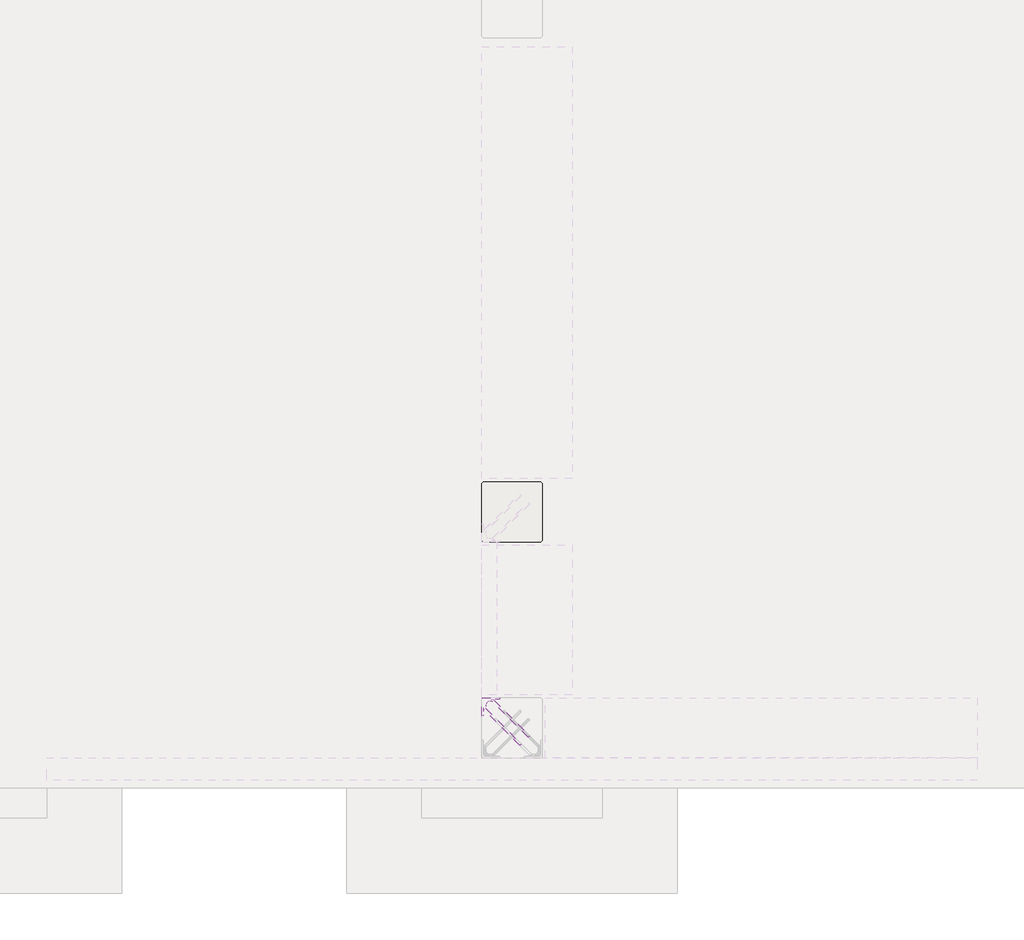
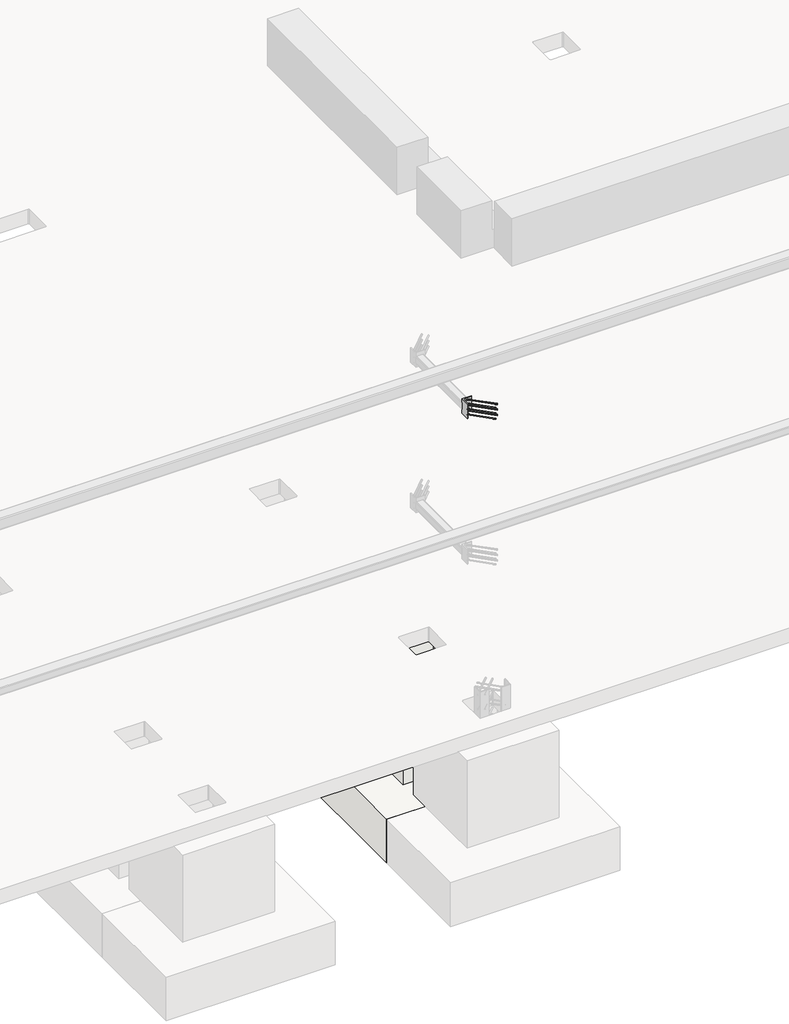
# One storey, part 21 of 65: 1 fastener, 1 slab.
"""IFC4 building model written with IfcOpenShell, lengths in millimetres."""

import ifcopenshell
import ifcopenshell.guid

model = None  # the IFC model being written
_history = None  # IfcOwnerHistory: only IFC2X3 demands one
_inside = {}  # id of a spatial element -> (the spatial element, [elements in it])
_under = {}  # id of a project, library or spatial element -> (it, [spatial elements below it])
_declared = {}  # id of a project -> (the project, [libraries it declares])
_typed = {}  # id of a type object -> (the type object, [elements of that type])
_made_of = {}  # id of a material, layer set ... -> (it, [elements and type objects made of it])


def new_model(schema):
    """Start an empty IFC model of exactly this schema.

    Asked for "IFC4X3", IfcOpenShell would pick the latest addendum, in which some entities
    have other attributes; the version numbers below select the first issue.
    IFC2X3 requires an IfcOwnerHistory on every rooted entity: one is made here for all.
    """
    global model, _history
    if schema == "IFC4X3":
        model = ifcopenshell.file(schema_version=(4, 3, 0, 0))
    else:
        model = ifcopenshell.file(schema=schema)
    _inside.clear()
    _under.clear()
    _declared.clear()
    _typed.clear()
    _made_of.clear()
    _history = None
    if model.schema == "IFC2X3":
        org = make("IfcOrganization", Name="unknown")
        user = make(
            "IfcPersonAndOrganization",
            ThePerson=make("IfcPerson", FamilyName="unknown"),
            TheOrganization=org,
        )
        app = make(
            "IfcApplication",
            ApplicationDeveloper=org,
            Version="unknown",
            ApplicationFullName="unknown",
            ApplicationIdentifier="unknown",
        )
        _history = make(
            "IfcOwnerHistory",
            OwningUser=user,
            OwningApplication=app,
            ChangeAction="ADDED",
            CreationDate=0,
        )
    return model


def make(cls, **values):
    """One entity of the class cls with the attributes given. An attribute that is None is left unset."""
    return model.create_entity(
        cls, **{name: value for name, value in values.items() if value is not None}
    )


def rooted(cls, **values):
    """An entity with a GlobalId (a new one), such as an element, a storey or a relation."""
    return make(cls, GlobalId=ifcopenshell.guid.new(), OwnerHistory=_history, **values)


def si_unit(unit_type, name, prefix=None):
    """IfcSIUnit, for example si_unit("LENGTHUNIT", "METRE", prefix="MILLI")."""
    return make("IfcSIUnit", UnitType=unit_type, Prefix=prefix, Name=name)


def assignment(units):
    """IfcUnitAssignment: the units of a project."""
    return None if units is None else make("IfcUnitAssignment", Units=units)


def point(xyz):
    """IfcCartesianPoint."""
    return None if xyz is None else make("IfcCartesianPoint", Coordinates=xyz)


def direction(xyz):
    """IfcDirection."""
    return None if xyz is None else make("IfcDirection", DirectionRatios=xyz)


def frame(location, z_axis=None, x_axis=None):
    """IfcAxis2Placement3D, a coordinate frame: its origin and axes. An axis left out is left unset."""
    return make(
        "IfcAxis2Placement3D",
        Location=point(location),
        Axis=direction(z_axis),
        RefDirection=direction(x_axis),
    )


def frame_2d(location, x_axis=None):
    """IfcAxis2Placement2D, a coordinate frame in the plane: its origin and x axis."""
    return make(
        "IfcAxis2Placement2D", Location=point(location), RefDirection=direction(x_axis)
    )


def origin():
    """The frame at (0, 0, 0) with its axes left unset."""
    return frame((0.0, 0.0, 0.0))


def place(relative_to, where):
    """IfcLocalPlacement: puts the frame where relative to a parent placement (None: the world)."""
    return make(
        "IfcLocalPlacement", PlacementRelTo=relative_to, RelativePlacement=where
    )


def context(
    kind, dimensions, precision=None, world=None, true_north=None, identifier=None
):
    """IfcGeometricRepresentationContext, for example the 3D "Model" context."""
    return make(
        "IfcGeometricRepresentationContext",
        ContextIdentifier=identifier,
        ContextType=kind,
        CoordinateSpaceDimension=dimensions,
        Precision=precision,
        WorldCoordinateSystem=world,
        TrueNorth=true_north,
    )


def project(units=None, contexts=None):
    """IfcProject with its units and contexts."""
    return rooted(
        "IfcProject",
        Name="project",
        RepresentationContexts=contexts,
        UnitsInContext=assignment(units),
    )


def spatial(cls, under=None, at=None, **own):
    """A site, building, storey or space (cls), placed at a placement, below another one or the project."""
    s = rooted(cls, ObjectPlacement=at, **own)
    if under is not None:
        _under.setdefault(under.id(), (under, []))[1].append(s)
    return s


def polyline(points):
    """IfcPolyline through the points."""
    return make("IfcPolyline", Points=[point(p) for p in points])


def circle_curve(where, radius):
    """IfcCircle in the frame where."""
    return make("IfcCircle", Position=where, Radius=radius)


def ellipse_curve(where, semi_axis1, semi_axis2):
    """IfcEllipse in the frame where."""
    return make(
        "IfcEllipse", Position=where, SemiAxis1=semi_axis1, SemiAxis2=semi_axis2
    )


def trimmed(basis, trim1, trim2, sense, master):
    """IfcTrimmedCurve: the piece of a basis curve between two trims."""
    return make(
        "IfcTrimmedCurve",
        BasisCurve=basis,
        Trim1=trim1,
        Trim2=trim2,
        SenseAgreement=sense,
        MasterRepresentation=master,
    )


def segment(curve, same_sense, transition):
    """IfcCompositeCurveSegment."""
    return make(
        "IfcCompositeCurveSegment",
        Transition=transition,
        SameSense=same_sense,
        ParentCurve=curve,
    )


def composite_curve(segments, self_intersect=None):
    """IfcCompositeCurve: segments joined end to end."""
    return make("IfcCompositeCurve", Segments=segments, SelfIntersect=self_intersect)


def outline(outer, holes=None, kind="AREA"):
    """IfcArbitraryClosedProfileDef: a profile drawn as a closed curve; with holes, ...WithVoids."""
    if holes is None:
        return make("IfcArbitraryClosedProfileDef", ProfileType=kind, OuterCurve=outer)
    return make(
        "IfcArbitraryProfileDefWithVoids",
        ProfileType=kind,
        OuterCurve=outer,
        InnerCurves=holes,
    )


def extrude(swept, where, along, depth):
    """IfcExtrudedAreaSolid: the profile swept, set in the frame where, extruded along a direction by depth."""
    return make(
        "IfcExtrudedAreaSolid",
        SweptArea=swept,
        Position=where,
        ExtrudedDirection=direction(along),
        Depth=depth,
    )


def faces_of(points, faces, orient=None, outer=None):
    """IfcFace entities. A face is a list of loops; a loop is a list of indices into points, from 0.

    orient and outer hold one flag for each loop. By default every Orientation is true, the
    first loop of a face is its IfcFaceOuterBound and the others are IfcFaceBound.
    """
    made = []
    for i, loops in enumerate(faces):
        bounds = []
        for j, loop in enumerate(loops):
            is_outer = j == 0 if outer is None else outer[i][j]
            bounds.append(
                make(
                    "IfcFaceOuterBound" if is_outer else "IfcFaceBound",
                    Bound=make("IfcPolyLoop", Polygon=[points[k] for k in loop]),
                    Orientation=True if orient is None else orient[i][j],
                )
            )
        made.append(make("IfcFace", Bounds=bounds))
    return made


def faceted_brep(points, faces, orient=None, outer=None, voids=None):
    """IfcFacetedBrep: a solid bounded by flat faces; with voids (closed shells), ...WithVoids."""
    shared = [point(p) for p in points]
    hull = make("IfcClosedShell", CfsFaces=faces_of(shared, faces, orient, outer))
    if voids is None:
        return make("IfcFacetedBrep", Outer=hull)
    return make(
        "IfcFacetedBrepWithVoids",
        Outer=hull,
        Voids=[
            make(cls, CfsFaces=faces_of(shared, fs, o, b)) for cls, fs, o, b in voids
        ],
    )


def shape(context_of_items, identifier, shape_type, items):
    """IfcShapeRepresentation: the items that make up one representation, for example the "Body"."""
    return make(
        "IfcShapeRepresentation",
        ContextOfItems=context_of_items,
        RepresentationIdentifier=identifier,
        RepresentationType=shape_type,
        Items=items,
    )


def made_of(thing, what):
    """Note that an element or type object is made of a material, layer set ...; save() writes the relation."""
    if what is not None:
        _made_of.setdefault(what.id(), (what, []))[1].append(thing)
    return thing


def element(
    cls,
    number,
    at=None,
    inside=None,
    cuts=None,
    type_object=None,
    material=None,
    context=None,
    identifier="Body",
    shape_type=None,
    held_by="IfcProductDefinitionShape",
    body=None,
    shapes=None,
    **own,
):
    """One element of the class cls, such as IfcWall. Its Tag is "e" and its number.

    at: its placement. inside: the storey or other place that contains it. cuts: it is an
    opening in that element (IfcRelVoidsElement). A single representation is given by context,
    identifier, shape_type and body (its items); several are given by shapes. held_by: the class
    of the entity that holds the representations. save() writes the other relations.
    """
    e = rooted(cls, Tag="e%d" % number, ObjectPlacement=at, **own)
    if body is not None:
        shapes = [shape(context, identifier, shape_type, body)]
    if shapes is not None:
        e.Representation = make(held_by, Representations=shapes)
    if inside is not None:
        _inside.setdefault(inside.id(), (inside, []))[1].append(e)
    if cuts is not None:
        rooted(
            "IfcRelVoidsElement", RelatingBuildingElement=cuts, RelatedOpeningElement=e
        )
    if type_object is not None:
        _typed.setdefault(type_object.id(), (type_object, []))[1].append(e)
    return made_of(e, material)


def aggregate(whole, parts):
    """IfcRelAggregates: a whole, such as a stair, and the parts it consists of."""
    return rooted("IfcRelAggregates", RelatingObject=whole, RelatedObjects=parts)


def save(model, path):
    """Write the relations noted so far, then the file.

    IfcRelAggregates (storeys below a building ...), IfcRelContainedInSpatialStructure (elements
    in a storey), IfcRelDefinesByType, IfcRelAssociatesMaterial and IfcRelDeclares: one each for
    every whole, place, type object, material and project.
    """
    for whole, parts in _under.values():
        aggregate(whole, parts)
    for where, things in _inside.values():
        rooted(
            "IfcRelContainedInSpatialStructure",
            RelatedElements=things,
            RelatingStructure=where,
        )
    for kind, things in _typed.values():
        rooted("IfcRelDefinesByType", RelatedObjects=things, RelatingType=kind)
    for what, things in _made_of.values():
        rooted("IfcRelAssociatesMaterial", RelatedObjects=things, RelatingMaterial=what)
    for by, libraries in _declared.values():
        rooted("IfcRelDeclares", RelatingContext=by, RelatedDefinitions=libraries)
    model.write(path)


def plane_surface(at):
    """IfcPlane: the flat surface through the origin of the frame at, square to its z axis."""
    return make("IfcPlane", Position=at)


def cylinder_surface(at, radius):
    """IfcCylindricalSurface: all points at the distance radius from the z axis of the frame at."""
    return make("IfcCylindricalSurface", Position=at, Radius=radius)


def revolved_surface(curve, axis_point, axis_direction):
    """IfcSurfaceOfRevolution: the curve turned about the line through axis_point along axis_direction."""
    return make(
        "IfcSurfaceOfRevolution",
        SweptCurve=make("IfcArbitraryOpenProfileDef", ProfileType="CURVE", Curve=curve),
        AxisPosition=make("IfcAxis1Placement", Location=point(axis_point), Axis=direction(axis_direction)),
    )


def advanced_brep(points, edges, surfaces, faces):
    """IfcAdvancedBrep: a solid bounded by faces that lie on surfaces and meet in shared edges.

    An edge is (start, end): straight between two places in points (the first is 0);
    or (start, end, curve); or (start, end, curve, False) where it runs against its curve.
    A face is (place in surfaces, loops), or (place, loops, False) where it looks against
    its surface's normal. A loop lists edges by number (the first is 1), with a minus sign
    where the edge is run from its end to its start. The first loop is the outer one.
    """
    corners = [point(p) for p in points]
    vertices = [make("IfcVertexPoint", VertexGeometry=c) for c in corners]
    made = []
    for start, end, *more in edges:
        made.append(
            make(
                "IfcEdgeCurve",
                EdgeStart=vertices[start],
                EdgeEnd=vertices[end],
                EdgeGeometry=more[0] if more else make("IfcPolyline", Points=[corners[start], corners[end]]),
                SameSense=more[1] if len(more) > 1 else True,
            )
        )
    hull = []
    for where, loops, *sense in faces:
        bounds = []
        for j, loop in enumerate(loops):
            ring = [make("IfcOrientedEdge", EdgeElement=made[abs(k) - 1], Orientation=k > 0) for k in loop]
            bounds.append(
                make(
                    "IfcFaceOuterBound" if j == 0 else "IfcFaceBound",
                    Bound=make("IfcEdgeLoop", EdgeList=ring),
                    Orientation=True,
                )
            )
        hull.append(make("IfcAdvancedFace", Bounds=bounds, FaceSurface=surfaces[where], SameSense=sense[0] if sense else True))
    return make("IfcAdvancedBrep", Outer=make("IfcClosedShell", CfsFaces=hull))


model = new_model("IFC4")

# Units and contexts
model_context = context("Model", 3, world=origin())
ifc_project = project(units=[si_unit("LENGTHUNIT", "METRE", prefix="MILLI")], contexts=[model_context])

# Site, building, storey
site = spatial("IfcSite", under=ifc_project)
building = spatial("IfcBuilding", under=site)
storey = spatial("IfcBuildingStorey", under=building, Elevation=0.0)

# Fastener
placement = place(None, origin())
element("IfcFastener", 1, at=placement, inside=storey, context=model_context, shape_type="SolidModel", body=[
    advanced_brep(
    [(38902.5376259, 9882.5628791, 4125.0), (38912.4371209, 9892.4623741, 4125.0), (38967.4371209, 9947.4623741, 4125.0), (38957.5376259, 9937.5628791, 4125.0), (38697.0, 10176.0, 4125.0), (38697.0, 10190.0, 4125.0), (38715.7867966, 10190.0, 4125.0), (38715.7867966, 10176.0, 4125.0), (38674.0, 10153.0, 4125.0), (38660.0, 10153.0, 4125.0), (38674.0, 10134.2132034, 4125.0), (38660.0, 10134.2132034, 4125.0), (38666.4436508, 10118.6568542, 4125.0), (38676.3431458, 10128.5563492, 4125.0), (38721.4436508, 10173.6568542, 4125.0), (38731.3431458, 10183.5563492, 4125.0)],
    [
        (0, 1, circle_curve(frame((38907.4873734, 9887.5126266, 4125.0), z_axis=(0.7071067811865459, -0.7071067811865493, 0.0), x_axis=(0.7071067811865493, 0.7071067811865459, 0.0)), 7.0)),
        (1, 0, circle_curve(frame((38907.4873734, 9887.5126266, 4125.0), z_axis=(0.7071067811865459, -0.7071067811865493, 0.0), x_axis=(0.7071067811865493, 0.7071067811865459, 0.0)), 7.0)),
        (2, 3, circle_curve(frame((38962.4873734, 9942.5126266, 4125.0), z_axis=(0.7071067811865457, -0.7071067811865493, 0.0), x_axis=(-0.7071067811865493, -0.7071067811865457, 0.0)), 7.0)),
        (3, 2, circle_curve(frame((38962.4873734, 9942.5126266, 4125.0), z_axis=(0.7071067811865457, -0.7071067811865493, 0.0), x_axis=(-0.7071067811865493, -0.7071067811865457, 0.0)), 7.0)),
        (4, 5, circle_curve(frame((38697.0, 10183.0, 4125.0), z_axis=(1.0, 0.0, 0.0), x_axis=(0.0, -1.0, 0.0)), 7.0)),
        (5, 6),
        (6, 7, circle_curve(frame((38715.7867966, 10183.0, 4125.0), z_axis=(-1.0, 0.0, 0.0), x_axis=(0.0, -1.0, 0.0)), 7.0)),
        (7, 4),
        (5, 4, circle_curve(frame((38697.0, 10183.0, 4125.0), z_axis=(1.0, 0.0, 0.0), x_axis=(0.0, -1.0, 0.0)), 7.0)),
        (7, 6, circle_curve(frame((38715.7867966, 10183.0, 4125.0), z_axis=(-1.0, 0.0, 0.0), x_axis=(0.0, -1.0, 0.0)), 7.0)),
        (4, 8, circle_curve(frame((38697.0, 10153.0, 4125.0), z_axis=(0.0, 0.0, 1.0), x_axis=(-1.0, 0.0, 0.0)), 23.0)),
        (8, 9, circle_curve(frame((38667.0, 10153.0, 4125.0), z_axis=(0.0, 1.0, 0.0), x_axis=(1.0, 0.0, 0.0)), 7.0)),
        (9, 5, circle_curve(frame((38697.0, 10153.0, 4125.0), z_axis=(0.0, 0.0, -1.0), x_axis=(-1.0, 0.0, 0.0)), 37.0)),
        (9, 8, circle_curve(frame((38667.0, 10153.0, 4125.0), z_axis=(0.0, 1.0, 0.0), x_axis=(1.0, 0.0, 0.0)), 7.0)),
        (10, 11, circle_curve(frame((38667.0, 10134.2132034, 4125.0), z_axis=(0.0, 1.0, 0.0), x_axis=(1.0, 0.0, 0.0)), 7.0)),
        (11, 9),
        (8, 10),
        (11, 10, circle_curve(frame((38667.0, 10134.2132034, 4125.0), z_axis=(0.0, 1.0, 0.0), x_axis=(1.0, 0.0, 0.0)), 7.0)),
        (0, 12),
        (12, 13, circle_curve(frame((38671.3933983, 10123.6066017, 4125.0), z_axis=(0.7071067811865459, -0.7071067811865493, 0.0), x_axis=(0.7071067811865493, 0.7071067811865459, 0.0)), 7.0)),
        (13, 1),
        (13, 12, circle_curve(frame((38671.3933983, 10123.6066017, 4125.0), z_axis=(0.7071067811865459, -0.7071067811865493, 0.0), x_axis=(0.7071067811865493, 0.7071067811865459, 0.0)), 7.0)),
        (10, 13, circle_curve(frame((38682.0, 10134.2132034, 4125.0), z_axis=(0.0, 0.0, 1.0), x_axis=(-0.7071067811865491, -0.7071067811865459, 0.0)), 8.0)),
        (12, 11, circle_curve(frame((38682.0, 10134.2132034, 4125.0), z_axis=(0.0, 0.0, -1.0), x_axis=(-0.7071067811865491, -0.7071067811865459, 0.0)), 22.0)),
        (14, 7, circle_curve(frame((38715.7867966, 10168.0, 4125.0), z_axis=(0.0, 0.0, 1.0), x_axis=(0.0, 1.0, 0.0)), 8.0)),
        (6, 15, circle_curve(frame((38715.7867966, 10168.0, 4125.0), z_axis=(0.0, 0.0, -1.0), x_axis=(0.0, 1.0, 0.0)), 22.0)),
        (15, 14, circle_curve(frame((38726.3933983, 10178.6066017, 4125.0), z_axis=(-0.7071067811865456, 0.7071067811865495, 0.0), x_axis=(-0.7071067811865495, -0.7071067811865456, 0.0)), 7.0)),
        (14, 15, circle_curve(frame((38726.3933983, 10178.6066017, 4125.0), z_axis=(-0.707106781186545, 0.70710678118655, 0.0), x_axis=(-0.70710678118655, -0.707106781186545, 0.0)), 7.0)),
        (15, 2),
        (3, 14),
    ],
    [
        plane_surface(frame((38907.4873734, 9887.5126266, 4125.0), z_axis=(0.7071067811865459, -0.7071067811865493, 0.0), x_axis=(0.0, 0.0, -1.0))),
        plane_surface(frame((38962.4873734, 9942.5126266, 4125.0), z_axis=(0.7071067811865457, -0.7071067811865493, 0.0), x_axis=(0.0, 0.0, -1.0))),
        cylinder_surface(frame((38697.0, 10183.0, 4125.0), z_axis=(-1.0, 0.0, 0.0), x_axis=(0.0, -1.0, 0.0)), 7.0),
        revolved_surface(trimmed(ellipse_curve(frame((38667.0, 10153.0, 4125.0), z_axis=(0.0, -1.0, 0.0), x_axis=(1.0, 0.0, 0.0)), 7.0, 7.0), [point((38660.0, 10153.0, 4125.0))], [point((38674.0, 10153.0, 4125.0))], True, "CARTESIAN"), (38697.0, 10153.0, 4125.0), (0.0, 0.0, -1.0)),
        revolved_surface(trimmed(ellipse_curve(frame((38667.0, 10153.0, 4125.0), z_axis=(0.0, -1.0, 0.0), x_axis=(1.0, 0.0, 0.0)), 7.0, 7.0), [point((38674.0, 10153.0, 4125.0))], [point((38660.0, 10153.0, 4125.0))], True, "CARTESIAN"), (38697.0, 10153.0, 4125.0), (0.0, 0.0, -1.0)),
        cylinder_surface(frame((38667.0, 10134.2132034, 4125.0), z_axis=(0.0, -1.0, 0.0), x_axis=(1.0, 0.0, 0.0)), 7.0),
        cylinder_surface(frame((38907.4873734, 9887.5126266, 4125.0), z_axis=(0.7071067811865459, -0.7071067811865493, 0.0), x_axis=(0.7071067811865493, 0.7071067811865459, 0.0)), 7.0),
        revolved_surface(trimmed(ellipse_curve(frame((38671.3933983, 10123.6066017, 4125.0), z_axis=(0.7071067811865459, -0.7071067811865491, 0.0), x_axis=(0.7071067811865491, 0.7071067811865459, 0.0)), 7.0, 7.0), [point((38666.4436508, 10118.6568542, 4125.0))], [point((38676.3431458, 10128.5563492, 4125.0))], True, "CARTESIAN"), (38682.0, 10134.2132034, 4125.0), (0.0, 0.0, -1.0)),
        revolved_surface(trimmed(ellipse_curve(frame((38671.3933983, 10123.6066017, 4125.0), z_axis=(0.7071067811865459, -0.7071067811865491, 0.0), x_axis=(0.7071067811865491, 0.7071067811865459, 0.0)), 7.0, 7.0), [point((38676.3431458, 10128.5563492, 4125.0))], [point((38666.4436508, 10118.6568542, 4125.0))], True, "CARTESIAN"), (38682.0, 10134.2132034, 4125.0), (0.0, 0.0, -1.0)),
        revolved_surface(trimmed(ellipse_curve(frame((38715.7867966, 10183.0, 4125.0), z_axis=(-1.0, 0.0, 0.0), x_axis=(0.0, -1.0, 0.0)), 7.0, 7.0), [point((38715.7867966, 10190.0, 4125.0))], [point((38715.7867966, 10176.0, 4125.0))], True, "CARTESIAN"), (38715.7867966, 10168.0, 4125.0), (0.0, 0.0, -1.0)),
        revolved_surface(trimmed(ellipse_curve(frame((38715.7867966, 10183.0, 4125.0), z_axis=(-1.0, 0.0, 0.0), x_axis=(0.0, -1.0, 0.0)), 7.0, 7.0), [point((38715.7867966, 10176.0, 4125.0))], [point((38715.7867966, 10190.0, 4125.0))], True, "CARTESIAN"), (38715.7867966, 10168.0, 4125.0), (0.0, 0.0, -1.0)),
        cylinder_surface(frame((38726.3933983, 10178.6066017, 4125.0), z_axis=(-0.7071067811865457, 0.7071067811865493, 0.0), x_axis=(-0.7071067811865493, -0.7071067811865457, 0.0)), 7.0),
    ],
    [
        (0, [[1, 2]]),
        (1, [[3, 4]]),
        (2, [[5, 6, 7, 8]]),
        (2, [[9, -8, 10, -6]]),
        (3, [[11, 12, 13, -5]]),
        (4, [[-13, 14, -11, -9]]),
        (5, [[15, 16, -12, 17]]),
        (5, [[18, -17, -14, -16]]),
        (6, [[-1, 19, 20, 21]]),
        (6, [[-2, -21, 22, -19]]),
        (7, [[23, -20, 24, -15]]),
        (8, [[-24, -22, -23, -18]]),
        (9, [[25, -7, 26, 27]]),
        (10, [[-26, -10, -25, 28]]),
        (11, [[-27, 29, -4, 30]]),
        (11, [[-28, -30, -3, -29]]),
    ],
),
    advanced_brep(
    [(38912.4371209, 9892.4623741, 3975.0), (38902.5376259, 9882.5628791, 3975.0), (38957.5376259, 9937.5628791, 3975.0), (38967.4371209, 9947.4623741, 3975.0), (38697.0, 10190.0, 3975.0), (38697.0, 10176.0, 3975.0), (38715.7867966, 10176.0, 3975.0), (38715.7867966, 10190.0, 3975.0), (38660.0, 10153.0, 3975.0), (38674.0, 10153.0, 3975.0), (38660.0, 10134.2132034, 3975.0), (38674.0, 10134.2132034, 3975.0), (38676.3431458, 10128.5563492, 3975.0), (38666.4436508, 10118.6568542, 3975.0), (38731.3431458, 10183.5563492, 3975.0), (38721.4436508, 10173.6568542, 3975.0)],
    [
        (0, 1, circle_curve(frame((38907.4873734, 9887.5126266, 3975.0), z_axis=(0.7071067811865459, -0.7071067811865493, 0.0), x_axis=(-0.7071067811865493, -0.7071067811865459, 0.0)), 7.0)),
        (1, 0, circle_curve(frame((38907.4873734, 9887.5126266, 3975.0), z_axis=(0.7071067811865459, -0.7071067811865493, 0.0), x_axis=(-0.7071067811865493, -0.7071067811865459, 0.0)), 7.0)),
        (2, 3, circle_curve(frame((38962.4873734, 9942.5126266, 3975.0), z_axis=(0.7071067811865458, -0.7071067811865493, 0.0), x_axis=(0.7071067811865493, 0.7071067811865458, 0.0)), 7.0)),
        (3, 2, circle_curve(frame((38962.4873734, 9942.5126266, 3975.0), z_axis=(0.7071067811865458, -0.7071067811865493, 0.0), x_axis=(0.7071067811865493, 0.7071067811865458, 0.0)), 7.0)),
        (4, 5, circle_curve(frame((38697.0, 10183.0, 3975.0), z_axis=(1.0, 0.0, 0.0), x_axis=(0.0, 1.0, 0.0)), 7.0)),
        (5, 6),
        (6, 7, circle_curve(frame((38715.7867966, 10183.0, 3975.0), z_axis=(-1.0, 0.0, 0.0), x_axis=(0.0, 1.0, 0.0)), 7.0)),
        (7, 4),
        (5, 4, circle_curve(frame((38697.0, 10183.0, 3975.0), z_axis=(1.0, 0.0, 0.0), x_axis=(0.0, 1.0, 0.0)), 7.0)),
        (7, 6, circle_curve(frame((38715.7867966, 10183.0, 3975.0), z_axis=(-1.0, 0.0, 0.0), x_axis=(0.0, 1.0, 0.0)), 7.0)),
        (4, 8, circle_curve(frame((38697.0, 10153.0, 3975.0), z_axis=(0.0, 0.0, 1.0), x_axis=(-1.0, 0.0, 0.0)), 37.0)),
        (8, 9, circle_curve(frame((38667.0, 10153.0, 3975.0), z_axis=(0.0, 1.0, 0.0), x_axis=(-1.0, 0.0, 0.0)), 7.0)),
        (9, 5, circle_curve(frame((38697.0, 10153.0, 3975.0), z_axis=(0.0, 0.0, -1.0), x_axis=(-1.0, 0.0, 0.0)), 23.0)),
        (9, 8, circle_curve(frame((38667.0, 10153.0, 3975.0), z_axis=(0.0, 1.0, 0.0), x_axis=(-1.0, 0.0, 0.0)), 7.0)),
        (10, 11, circle_curve(frame((38667.0, 10134.2132034, 3975.0), z_axis=(0.0, 1.0, 0.0), x_axis=(-1.0, 0.0, 0.0)), 7.0)),
        (11, 9),
        (8, 10),
        (11, 10, circle_curve(frame((38667.0, 10134.2132034, 3975.0), z_axis=(0.0, 1.0, 0.0), x_axis=(-1.0, 0.0, 0.0)), 7.0)),
        (0, 12),
        (12, 13, circle_curve(frame((38671.3933983, 10123.6066017, 3975.0), z_axis=(0.7071067811865459, -0.7071067811865493, 0.0), x_axis=(-0.7071067811865493, -0.7071067811865459, 0.0)), 7.0)),
        (13, 1),
        (13, 12, circle_curve(frame((38671.3933983, 10123.6066017, 3975.0), z_axis=(0.7071067811865459, -0.7071067811865493, 0.0), x_axis=(-0.7071067811865493, -0.7071067811865459, 0.0)), 7.0)),
        (10, 13, circle_curve(frame((38682.0, 10134.2132034, 3975.0), z_axis=(0.0, 0.0, 1.0), x_axis=(-0.7071067811865491, -0.7071067811865459, 0.0)), 22.0)),
        (12, 11, circle_curve(frame((38682.0, 10134.2132034, 3975.0), z_axis=(0.0, 0.0, -1.0), x_axis=(-0.7071067811865491, -0.7071067811865459, 0.0)), 8.0)),
        (14, 7, circle_curve(frame((38715.7867966, 10168.0, 3975.0), z_axis=(0.0, 0.0, 1.0), x_axis=(0.0, 1.0, 0.0)), 22.0)),
        (6, 15, circle_curve(frame((38715.7867966, 10168.0, 3975.0), z_axis=(0.0, 0.0, -1.0), x_axis=(0.0, 1.0, 0.0)), 8.0)),
        (15, 14, circle_curve(frame((38726.3933983, 10178.6066017, 3975.0), z_axis=(-0.7071067811865442, 0.7071067811865508, 0.0), x_axis=(0.7071067811865508, 0.7071067811865442, 0.0)), 7.0)),
        (14, 15, circle_curve(frame((38726.3933983, 10178.6066017, 3975.0), z_axis=(-0.707106781186545, 0.70710678118655, 0.0), x_axis=(0.70710678118655, 0.707106781186545, 0.0)), 7.0)),
        (15, 2),
        (3, 14),
    ],
    [
        plane_surface(frame((38907.4873734, 9887.5126266, 3975.0), z_axis=(0.7071067811865459, -0.7071067811865493, 0.0), x_axis=(0.0, 0.0, 1.0))),
        plane_surface(frame((38962.4873734, 9942.5126266, 3975.0), z_axis=(0.7071067811865458, -0.7071067811865493, 0.0), x_axis=(0.0, 0.0, 1.0))),
        cylinder_surface(frame((38697.0, 10183.0, 3975.0), z_axis=(-1.0, 0.0, 0.0), x_axis=(0.0, 1.0, 0.0)), 7.0),
        revolved_surface(trimmed(ellipse_curve(frame((38667.0, 10153.0, 3975.0), z_axis=(0.0, -1.0, 0.0), x_axis=(-1.0, 0.0, 0.0)), 7.0, 7.0), [point((38674.0, 10153.0, 3975.0))], [point((38660.0, 10153.0, 3975.0))], True, "CARTESIAN"), (38697.0, 10153.0, 3975.0), (0.0, 0.0, -1.0)),
        revolved_surface(trimmed(ellipse_curve(frame((38667.0, 10153.0, 3975.0), z_axis=(0.0, -1.0, 0.0), x_axis=(-1.0, 0.0, 0.0)), 7.0, 7.0), [point((38660.0, 10153.0, 3975.0))], [point((38674.0, 10153.0, 3975.0))], True, "CARTESIAN"), (38697.0, 10153.0, 3975.0), (0.0, 0.0, -1.0)),
        cylinder_surface(frame((38667.0, 10134.2132034, 3975.0), z_axis=(0.0, -1.0, 0.0), x_axis=(-1.0, 0.0, 0.0)), 7.0),
        cylinder_surface(frame((38907.4873734, 9887.5126266, 3975.0), z_axis=(0.7071067811865459, -0.7071067811865493, 0.0), x_axis=(-0.7071067811865493, -0.7071067811865459, 0.0)), 7.0),
        revolved_surface(trimmed(ellipse_curve(frame((38671.3933983, 10123.6066017, 3975.0), z_axis=(0.7071067811865459, -0.7071067811865491, 0.0), x_axis=(-0.7071067811865491, -0.7071067811865459, 0.0)), 7.0, 7.0), [point((38676.3431458, 10128.5563492, 3975.0))], [point((38666.4436508, 10118.6568542, 3975.0))], True, "CARTESIAN"), (38682.0, 10134.2132034, 3975.0), (0.0, 0.0, -1.0)),
        revolved_surface(trimmed(ellipse_curve(frame((38671.3933983, 10123.6066017, 3975.0), z_axis=(0.7071067811865459, -0.7071067811865491, 0.0), x_axis=(-0.7071067811865491, -0.7071067811865459, 0.0)), 7.0, 7.0), [point((38666.4436508, 10118.6568542, 3975.0))], [point((38676.3431458, 10128.5563492, 3975.0))], True, "CARTESIAN"), (38682.0, 10134.2132034, 3975.0), (0.0, 0.0, -1.0)),
        revolved_surface(trimmed(ellipse_curve(frame((38715.7867966, 10183.0, 3975.0), z_axis=(-1.0, 0.0, 0.0), x_axis=(0.0, 1.0, 0.0)), 7.0, 7.0), [point((38715.7867966, 10176.0, 3975.0))], [point((38715.7867966, 10190.0, 3975.0))], True, "CARTESIAN"), (38715.7867966, 10168.0, 3975.0), (0.0, 0.0, -1.0)),
        revolved_surface(trimmed(ellipse_curve(frame((38715.7867966, 10183.0, 3975.0), z_axis=(-1.0, 0.0, 0.0), x_axis=(0.0, 1.0, 0.0)), 7.0, 7.0), [point((38715.7867966, 10190.0, 3975.0))], [point((38715.7867966, 10176.0, 3975.0))], True, "CARTESIAN"), (38715.7867966, 10168.0, 3975.0), (0.0, 0.0, -1.0)),
        cylinder_surface(frame((38726.3933983, 10178.6066017, 3975.0), z_axis=(-0.7071067811865458, 0.7071067811865493, 0.0), x_axis=(0.7071067811865493, 0.7071067811865458, 0.0)), 7.0),
    ],
    [
        (0, [[1, 2]]),
        (1, [[3, 4]]),
        (2, [[5, 6, 7, 8]]),
        (2, [[9, -8, 10, -6]]),
        (3, [[11, 12, 13, -5]]),
        (4, [[-13, 14, -11, -9]]),
        (5, [[15, 16, -12, 17]]),
        (5, [[18, -17, -14, -16]]),
        (6, [[-1, 19, 20, 21]]),
        (6, [[-2, -21, 22, -19]]),
        (7, [[23, -20, 24, -15]]),
        (8, [[-24, -22, -23, -18]]),
        (9, [[25, -7, 26, 27]]),
        (10, [[-26, -10, -25, 28]]),
        (11, [[-27, 29, -4, 30]]),
        (11, [[-28, -30, -3, -29]]),
    ],
),
    advanced_brep(
    [(38912.4371209, 9892.4623741, 4050.0), (38902.5376259, 9882.5628791, 4050.0), (38957.5376259, 9937.5628791, 4050.0), (38967.4371209, 9947.4623741, 4050.0), (38697.0, 10190.0, 4050.0), (38697.0, 10176.0, 4050.0), (38715.7867966, 10176.0, 4050.0), (38715.7867966, 10190.0, 4050.0), (38660.0, 10153.0, 4050.0), (38674.0, 10153.0, 4050.0), (38660.0, 10134.2132034, 4050.0), (38674.0, 10134.2132034, 4050.0), (38676.3431458, 10128.5563492, 4050.0), (38666.4436508, 10118.6568542, 4050.0), (38731.3431458, 10183.5563492, 4050.0), (38721.4436508, 10173.6568542, 4050.0)],
    [
        (0, 1, circle_curve(frame((38907.4873734, 9887.5126266, 4050.0), z_axis=(0.7071067811865458, -0.7071067811865492, 0.0), x_axis=(-0.7071067811865492, -0.7071067811865458, 0.0)), 7.0)),
        (1, 0, circle_curve(frame((38907.4873734, 9887.5126266, 4050.0), z_axis=(0.7071067811865458, -0.7071067811865492, 0.0), x_axis=(-0.7071067811865492, -0.7071067811865458, 0.0)), 7.0)),
        (2, 3, circle_curve(frame((38962.4873734, 9942.5126266, 4050.0), z_axis=(0.7071067811865458, -0.7071067811865493, 0.0), x_axis=(0.7071067811865493, 0.7071067811865458, 0.0)), 7.0)),
        (3, 2, circle_curve(frame((38962.4873734, 9942.5126266, 4050.0), z_axis=(0.7071067811865458, -0.7071067811865493, 0.0), x_axis=(0.7071067811865493, 0.7071067811865458, 0.0)), 7.0)),
        (4, 5, circle_curve(frame((38697.0, 10183.0, 4050.0), z_axis=(1.0, 0.0, 0.0), x_axis=(0.0, 1.0, 0.0)), 7.0)),
        (5, 6),
        (6, 7, circle_curve(frame((38715.7867966, 10183.0, 4050.0), z_axis=(-1.0, 0.0, 0.0), x_axis=(0.0, 1.0, 0.0)), 7.0)),
        (7, 4),
        (5, 4, circle_curve(frame((38697.0, 10183.0, 4050.0), z_axis=(1.0, 0.0, 0.0), x_axis=(0.0, 1.0, 0.0)), 7.0)),
        (7, 6, circle_curve(frame((38715.7867966, 10183.0, 4050.0), z_axis=(-1.0, 0.0, 0.0), x_axis=(0.0, 1.0, 0.0)), 7.0)),
        (4, 8, circle_curve(frame((38697.0, 10153.0, 4050.0), z_axis=(0.0, 0.0, 1.0), x_axis=(-1.0, 0.0, 0.0)), 37.0)),
        (8, 9, circle_curve(frame((38667.0, 10153.0, 4050.0), z_axis=(0.0, 1.0, 0.0), x_axis=(-1.0, 0.0, 0.0)), 7.0)),
        (9, 5, circle_curve(frame((38697.0, 10153.0, 4050.0), z_axis=(0.0, 0.0, -1.0), x_axis=(-1.0, 0.0, 0.0)), 23.0)),
        (9, 8, circle_curve(frame((38667.0, 10153.0, 4050.0), z_axis=(0.0, 1.0, 0.0), x_axis=(-1.0, 0.0, 0.0)), 7.0)),
        (10, 11, circle_curve(frame((38667.0, 10134.2132034, 4050.0), z_axis=(0.0, 1.0, 0.0), x_axis=(-1.0, 0.0, 0.0)), 7.0)),
        (11, 9),
        (8, 10),
        (11, 10, circle_curve(frame((38667.0, 10134.2132034, 4050.0), z_axis=(0.0, 1.0, 0.0), x_axis=(-1.0, 0.0, 0.0)), 7.0)),
        (0, 12),
        (12, 13, circle_curve(frame((38671.3933983, 10123.6066017, 4050.0), z_axis=(0.7071067811865458, -0.7071067811865492, 0.0), x_axis=(-0.7071067811865492, -0.7071067811865458, 0.0)), 7.0)),
        (13, 1),
        (13, 12, circle_curve(frame((38671.3933983, 10123.6066017, 4050.0), z_axis=(0.7071067811865458, -0.7071067811865492, 0.0), x_axis=(-0.7071067811865492, -0.7071067811865458, 0.0)), 7.0)),
        (10, 13, circle_curve(frame((38682.0, 10134.2132034, 4050.0), z_axis=(0.0, 0.0, 1.0), x_axis=(-0.7071067811865491, -0.7071067811865459, 0.0)), 22.0)),
        (12, 11, circle_curve(frame((38682.0, 10134.2132034, 4050.0), z_axis=(0.0, 0.0, -1.0), x_axis=(-0.7071067811865491, -0.7071067811865459, 0.0)), 8.0)),
        (14, 7, circle_curve(frame((38715.7867966, 10168.0, 4050.0), z_axis=(0.0, 0.0, 1.0), x_axis=(0.0, 1.0, 0.0)), 22.0)),
        (6, 15, circle_curve(frame((38715.7867966, 10168.0, 4050.0), z_axis=(0.0, 0.0, -1.0), x_axis=(0.0, 1.0, 0.0)), 8.0)),
        (15, 14, circle_curve(frame((38726.3933983, 10178.6066017, 4050.0), z_axis=(-0.7071067811865457, 0.7071067811865493, 0.0), x_axis=(0.7071067811865493, 0.7071067811865457, 0.0)), 7.0)),
        (14, 15, circle_curve(frame((38726.3933983, 10178.6066017, 4050.0), z_axis=(-0.7071067811865456, 0.7071067811865495, 0.0), x_axis=(0.7071067811865495, 0.7071067811865456, 0.0)), 7.0)),
        (15, 2),
        (3, 14),
    ],
    [
        plane_surface(frame((38907.4873734, 9887.5126266, 4050.0), z_axis=(0.7071067811865458, -0.7071067811865492, 0.0), x_axis=(0.0, 0.0, 1.0))),
        plane_surface(frame((38962.4873734, 9942.5126266, 4050.0), z_axis=(0.7071067811865457, -0.7071067811865495, 0.0), x_axis=(0.0, 0.0, 1.0))),
        cylinder_surface(frame((38697.0, 10183.0, 4050.0), z_axis=(-1.0, 0.0, 0.0), x_axis=(0.0, 1.0, 0.0)), 7.0),
        revolved_surface(trimmed(ellipse_curve(frame((38667.0, 10153.0, 4050.0), z_axis=(0.0, -1.0, 0.0), x_axis=(-1.0, 0.0, 0.0)), 7.0, 7.0), [point((38674.0, 10153.0, 4050.0))], [point((38660.0, 10153.0, 4050.0))], True, "CARTESIAN"), (38697.0, 10153.0, 4050.0), (0.0, 0.0, -1.0)),
        revolved_surface(trimmed(ellipse_curve(frame((38667.0, 10153.0, 4050.0), z_axis=(0.0, -1.0, 0.0), x_axis=(-1.0, 0.0, 0.0)), 7.0, 7.0), [point((38660.0, 10153.0, 4050.0))], [point((38674.0, 10153.0, 4050.0))], True, "CARTESIAN"), (38697.0, 10153.0, 4050.0), (0.0, 0.0, -1.0)),
        cylinder_surface(frame((38667.0, 10134.2132034, 4050.0), z_axis=(0.0, -1.0, 0.0), x_axis=(-1.0, 0.0, 0.0)), 7.0),
        cylinder_surface(frame((38907.4873734, 9887.5126266, 4050.0), z_axis=(0.7071067811865458, -0.7071067811865492, 0.0), x_axis=(-0.7071067811865492, -0.7071067811865458, 0.0)), 7.0),
        revolved_surface(trimmed(ellipse_curve(frame((38671.3933983, 10123.6066017, 4050.0), z_axis=(0.707106781186546, -0.707106781186549, 0.0), x_axis=(-0.707106781186549, -0.707106781186546, 0.0)), 7.0, 7.0), [point((38676.3431458, 10128.5563492, 4050.0))], [point((38666.4436508, 10118.6568542, 4050.0))], True, "CARTESIAN"), (38682.0, 10134.2132034, 4050.0), (0.0, 0.0, -1.0)),
        revolved_surface(trimmed(ellipse_curve(frame((38671.3933983, 10123.6066017, 4050.0), z_axis=(0.707106781186546, -0.707106781186549, 0.0), x_axis=(-0.707106781186549, -0.707106781186546, 0.0)), 7.0, 7.0), [point((38666.4436508, 10118.6568542, 4050.0))], [point((38676.3431458, 10128.5563492, 4050.0))], True, "CARTESIAN"), (38682.0, 10134.2132034, 4050.0), (0.0, 0.0, -1.0)),
        revolved_surface(trimmed(ellipse_curve(frame((38715.7867966, 10183.0, 4050.0), z_axis=(-1.0, 0.0, 0.0), x_axis=(0.0, 1.0, 0.0)), 7.0, 7.0), [point((38715.7867966, 10176.0, 4050.0))], [point((38715.7867966, 10190.0, 4050.0))], True, "CARTESIAN"), (38715.7867966, 10168.0, 4050.0), (0.0, 0.0, -1.0)),
        revolved_surface(trimmed(ellipse_curve(frame((38715.7867966, 10183.0, 4050.0), z_axis=(-1.0, 0.0, 0.0), x_axis=(0.0, 1.0, 0.0)), 7.0, 7.0), [point((38715.7867966, 10190.0, 4050.0))], [point((38715.7867966, 10176.0, 4050.0))], True, "CARTESIAN"), (38715.7867966, 10168.0, 4050.0), (0.0, 0.0, -1.0)),
        cylinder_surface(frame((38726.3933983, 10178.6066017, 4050.0), z_axis=(-0.7071067811865458, 0.7071067811865493, 0.0), x_axis=(0.7071067811865493, 0.7071067811865458, 0.0)), 7.0),
    ],
    [
        (0, [[1, 2]]),
        (1, [[3, 4]]),
        (2, [[5, 6, 7, 8]]),
        (2, [[9, -8, 10, -6]]),
        (3, [[11, 12, 13, -5]]),
        (4, [[-13, 14, -11, -9]]),
        (5, [[15, 16, -12, 17]]),
        (5, [[18, -17, -14, -16]]),
        (6, [[-1, 19, 20, 21]]),
        (6, [[-2, -21, 22, -19]]),
        (7, [[23, -20, 24, -15]]),
        (8, [[-24, -22, -23, -18]]),
        (9, [[25, -7, 26, 27]]),
        (10, [[-26, -10, -25, 28]]),
        (11, [[-27, 29, -4, 30]]),
        (11, [[-28, -30, -3, -29]]),
    ],
),
    extrude(outline(composite_curve([segment(polyline([(38650.0, 10200.0), (38770.0, 10200.0), (38770.0, 10196.5)]), True, "CONTINUOUS"), segment(trimmed(circle_curve(frame_2d((38763.5, 10196.5)), 6.5), [point((38770.0, 10196.5))], [point((38763.5, 10190.0))], False, "CARTESIAN"), True, "CONTINUOUS"), segment(polyline([(38763.5, 10190.0), (38673.0, 10190.0)]), True, "CONTINUOUS"), segment(trimmed(circle_curve(frame_2d((38673.0, 10177.0)), 13.0), [point((38673.0, 10190.0))], [point((38660.0, 10177.0))], True, "CARTESIAN"), True, "CONTINUOUS"), segment(polyline([(38660.0, 10177.0), (38660.0, 10086.5)]), True, "CONTINUOUS"), segment(trimmed(circle_curve(frame_2d((38653.5, 10086.5)), 6.5), [point((38660.0, 10086.5))], [point((38653.5, 10080.0))], False, "CARTESIAN"), True, "CONTINUOUS"), segment(polyline([(38653.5, 10080.0), (38650.0, 10080.0), (38650.0, 10200.0)]), True, "CONTINUOUS")], self_intersect=False)), frame((0.0, 0.0, 3950.0), z_axis=(0.0, 0.0, 1.0), x_axis=(1.0, 0.0, 0.0)), (0.0, 0.0, 1.0), 200.0),
])

# Slab
element("IfcSlab", 2, ObjectType="F2.2x2.2x0.6m P1.2x1.2x1.2m", at=placement, inside=storey, context=model_context, shape_type="Brep", body=[
    faceted_brep([(37750.0, 10340.0, -2000.0), (39950.0, 10340.0, -2000.0), (39950.0, 10340.0, -1400.0), (39450.0, 10340.0, -1400.0), (38250.0, 10340.0, -1400.0), (37750.0, 10340.0, -1400.0), (37750.0, 12540.0, -1400.0), (39950.0, 12540.0, -1400.0), (38250.0, 12040.0, -1400.0), (39450.0, 12040.0, -1400.0), (39450.0, 10840.0, -1400.0), (38250.0, 10840.0, -1400.0), (38250.0, 12040.0, -200.0), (39450.0, 12040.0, -200.0), (38575.0, 11715.0, -1400.0), (38575.0, 11165.0, -1400.0), (39125.0, 11165.0, -1400.0), (39125.0, 11715.0, -1400.0), (38250.0, 10840.0, -200.0), (39450.0, 10840.0, -200.0), (38500.0, 11090.0, -200.0), (38500.0, 11790.0, -200.0), (39200.0, 11790.0, -200.0), (39200.0, 11090.0, -200.0), (37750.0, 12540.0, -2000.0), (39950.0, 12540.0, -2000.0)], [[[0, 1, 2, 3, 4, 5]], [[6, 5, 4, 3, 2, 7], [8, 9, 10, 11]], [[9, 8, 12, 13]], [[14, 15, 16, 17]], [[13, 12, 18, 19], [20, 21, 22, 23]], [[24, 25, 1, 0]], [[24, 0, 5, 6]], [[1, 25, 7, 2]], [[25, 24, 6, 7]], [[10, 9, 13, 19]], [[11, 10, 19, 18]], [[8, 11, 18, 12]], [[15, 14, 21, 20]], [[16, 15, 20, 23]], [[17, 16, 23, 22]], [[14, 17, 22, 21]]]),
])

save(model, "model.ifc")
